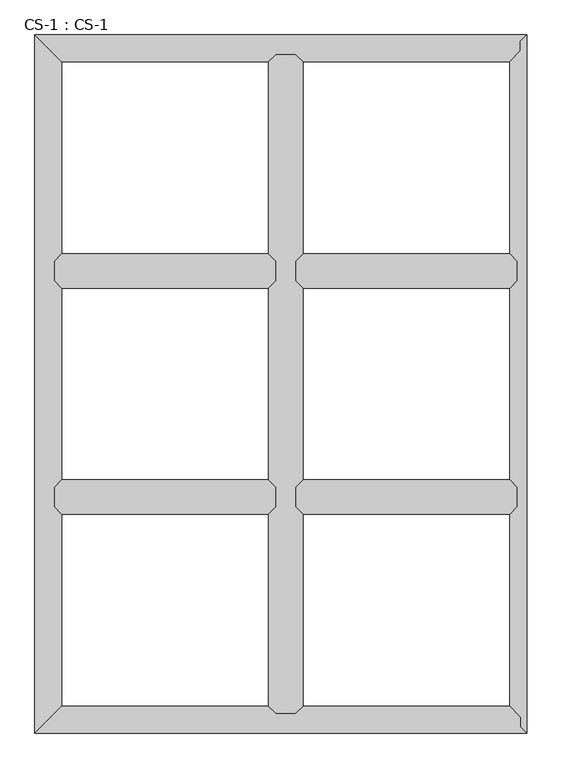
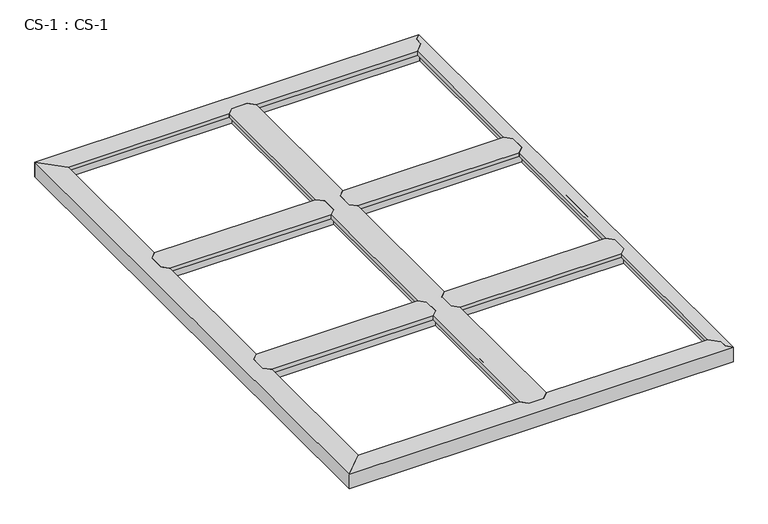
"""IFC4 building model written with IfcOpenShell, lengths in millimetres: proxy geometry, CS-1 : CS-1."""

from ifc_helpers import new_model, si_unit, origin, place, context, project, spatial, faceted_brep, source, transform, mapped, element, save


def cs_1_cs_1_00ce6a80(model_context):
    return source(origin(), model_context, "Body", "Brep", [
        faceted_brep([(878.84, 2286.0, 46.355), (878.84, 2286.0, 0.0), (871.855, 2286.0, 0.0), (871.855, 2286.0, 63.5), (819.785, 2286.0, 63.5), (819.785, 2286.0, 0.0), (812.8, 2286.0, 0.0), (812.8, 2286.0, 46.355), (812.8, 2286.0, 66.675), (878.84, 2286.0, 66.675), (812.8, 66.04, 46.355), (812.8, 66.04, 0.0), (819.785, 66.04, 0.0), (819.785, 66.04, 63.5), (871.855, 66.04, 63.5), (871.855, 66.04, 0.0), (878.84, 66.04, 0.0), (878.84, 66.04, 46.355), (878.84, 66.04, 66.675), (812.8, 66.04, 66.675), (788.162, 90.678, 49.8094), (788.162, 90.678, 66.675), (788.162, 737.362, 66.675), (788.162, 737.362, 49.8094), (788.162, 2261.362, 66.675), (788.162, 2261.362, 49.8094), (788.162, 1614.678, 49.8094), (788.162, 1614.678, 66.675), (788.162, 852.678, 49.8094), (788.162, 852.678, 66.675), (788.162, 1499.362, 66.675), (788.162, 1499.362, 49.8094), (789.686, 89.154, 49.8094), (789.686, 738.886, 49.8094), (789.686, 2262.886, 49.8094), (789.686, 1613.154, 49.8094), (789.686, 851.154, 49.8094), (789.686, 1500.886, 49.8094), (789.686, 89.154, 64.643), (789.686, 738.886, 64.643), (789.686, 2262.886, 64.643), (789.686, 1613.154, 64.643), (789.686, 851.154, 64.643), (789.686, 1500.886, 64.643), (799.973, 78.867, 64.643), (799.973, 749.173, 64.643), (799.973, 2273.173, 64.643), (799.973, 1602.867, 64.643), (799.973, 840.867, 64.643), (799.973, 1511.173, 64.643), (799.973, 78.867, 46.355), (799.973, 749.173, 46.355), (799.973, 2273.173, 46.355), (799.973, 1602.867, 46.355), (799.973, 840.867, 46.355), (799.973, 1511.173, 46.355), (812.8, 762.0, 46.355), (812.8, 1590.04, 46.355), (812.8, 828.04, 46.355), (812.8, 1524.0, 46.355), (812.8, 762.0, 66.675), (812.8, 828.04, 66.675), (812.8, 1524.0, 66.675), (812.8, 1590.04, 66.675), (878.84, 1590.04, 46.355), (878.84, 1590.04, 66.675), (878.84, 1524.0, 66.675), (878.84, 1524.0, 46.355), (878.84, 828.04, 46.355), (878.84, 828.04, 66.675), (878.84, 762.0, 66.675), (878.84, 762.0, 46.355), (891.667, 78.867, 46.355), (891.667, 749.173, 46.355), (891.667, 2273.173, 46.355), (891.667, 1602.867, 46.355), (891.667, 840.867, 46.355), (891.667, 1511.173, 46.355), (891.667, 78.867, 64.643), (891.667, 749.173, 64.643), (891.667, 2273.173, 64.643), (891.667, 1602.867, 64.643), (891.667, 840.867, 64.643), (891.667, 1511.173, 64.643), (901.954, 89.154, 64.643), (901.954, 738.886, 64.643), (901.954, 2262.886, 64.643), (901.954, 1613.154, 64.643), (901.954, 851.154, 64.643), (901.954, 1500.886, 64.643), (901.954, 89.154, 49.8094), (901.954, 738.886, 49.8094), (901.954, 2262.886, 49.8094), (901.954, 1613.154, 49.8094), (901.954, 851.154, 49.8094), (901.954, 1500.886, 49.8094), (903.478, 90.678, 49.8094), (903.478, 737.362, 49.8094), (903.478, 2261.362, 49.8094), (903.478, 1614.678, 49.8094), (903.478, 852.678, 49.8094), (903.478, 1499.362, 49.8094), (903.478, 90.678, 66.675), (903.478, 737.362, 66.675), (903.478, 2261.362, 66.675), (903.478, 1614.678, 66.675), (903.478, 852.678, 66.675), (903.478, 1499.362, 66.675)], [[[0, 1, 2, 3, 4, 5, 6, 7, 8, 9]], [[10, 11, 12, 13, 14, 15, 16, 17, 18, 19]], [[20, 21, 22, 23]], [[24, 25, 26, 27]], [[28, 29, 30, 31]], [[32, 20, 23, 33]], [[25, 34, 35, 26]], [[36, 28, 31, 37]], [[38, 32, 33, 39]], [[34, 40, 41, 35]], [[42, 36, 37, 43]], [[44, 38, 39, 45]], [[40, 46, 47, 41]], [[48, 42, 43, 49]], [[50, 44, 45, 51]], [[46, 52, 53, 47]], [[54, 48, 49, 55]], [[10, 50, 51, 56]], [[52, 7, 57, 53]], [[58, 54, 55, 59]], [[7, 6, 11, 10, 56, 60, 61, 58, 59, 62, 63, 57]], [[6, 5, 12, 11]], [[5, 4, 13, 12]], [[4, 3, 14, 13]], [[3, 2, 15, 14]], [[2, 1, 16, 15]], [[1, 0, 64, 65, 66, 67, 68, 69, 70, 71, 17, 16]], [[72, 17, 71, 73]], [[0, 74, 75, 64]], [[76, 68, 67, 77]], [[78, 72, 73, 79]], [[74, 80, 81, 75]], [[82, 76, 77, 83]], [[84, 78, 79, 85]], [[80, 86, 87, 81]], [[88, 82, 83, 89]], [[90, 84, 85, 91]], [[86, 92, 93, 87]], [[94, 88, 89, 95]], [[96, 90, 91, 97]], [[92, 98, 99, 93]], [[100, 94, 95, 101]], [[102, 96, 97, 103]], [[98, 104, 105, 99]], [[106, 100, 101, 107]], [[9, 8, 24, 27, 63, 62, 30, 29, 61, 60, 22, 21, 19, 18, 102, 103, 70, 69, 106, 107, 66, 65, 105, 104]], [[10, 19, 21, 20, 32, 38, 44, 50]], [[18, 17, 72, 78, 84, 90, 96, 102]], [[0, 9, 104, 98, 92, 86, 80, 74]], [[8, 7, 52, 46, 40, 34, 25, 24]], [[60, 56, 51, 45, 39, 33, 23, 22]], [[58, 61, 29, 28, 36, 42, 48, 54]], [[62, 59, 55, 49, 43, 37, 31, 30]], [[57, 63, 27, 26, 35, 41, 47, 53]], [[69, 68, 76, 82, 88, 94, 100, 106]], [[71, 70, 103, 97, 91, 85, 79, 73]], [[65, 64, 75, 81, 87, 93, 99, 105]], [[67, 66, 107, 101, 95, 89, 83, 77]]]),
        faceted_brep([(1625.6, 1524.0, 46.355), (1625.6, 1524.0, 0.0), (1625.6, 1530.985, 0.0), (1625.6, 1530.985, 63.5), (1625.6, 1583.055, 63.5), (1625.6, 1583.055, 0.0), (1625.6, 1590.04, 0.0), (1625.6, 1590.04, 46.355), (1625.6, 1590.04, 66.675), (1625.6, 1524.0, 66.675), (878.84, 1590.04, 46.355), (878.84, 1590.04, 0.0), (878.84, 1583.055, 0.0), (878.84, 1583.055, 63.5), (878.84, 1530.985, 63.5), (878.84, 1530.985, 0.0), (878.84, 1524.0, 0.0), (878.84, 1524.0, 46.355), (878.84, 1524.0, 66.675), (878.84, 1590.04, 66.675), (903.478, 1614.678, 66.675), (1600.962, 1614.678, 66.675), (1600.962, 1614.678, 49.8094), (903.478, 1614.678, 49.8094), (1602.486, 1613.154, 49.8094), (901.954, 1613.154, 49.8094), (1602.486, 1613.154, 64.643), (901.954, 1613.154, 64.643), (1612.773, 1602.867, 64.643), (891.667, 1602.867, 64.643), (1612.773, 1602.867, 46.355), (891.667, 1602.867, 46.355), (1612.773, 1511.173, 46.355), (891.667, 1511.173, 46.355), (1612.773, 1511.173, 64.643), (891.667, 1511.173, 64.643), (1602.486, 1500.886, 64.643), (901.954, 1500.886, 64.643), (1602.486, 1500.886, 49.8094), (901.954, 1500.886, 49.8094), (1600.962, 1499.362, 49.8094), (903.478, 1499.362, 49.8094), (1600.962, 1499.362, 66.675), (903.478, 1499.362, 66.675)], [[[0, 1, 2, 3, 4, 5, 6, 7, 8, 9]], [[10, 11, 12, 13, 14, 15, 16, 17, 18, 19]], [[20, 21, 22, 23]], [[23, 22, 24, 25]], [[25, 24, 26, 27]], [[27, 26, 28, 29]], [[29, 28, 30, 31]], [[7, 10, 31, 30]], [[7, 6, 11, 10]], [[6, 5, 12, 11]], [[5, 4, 13, 12]], [[4, 3, 14, 13]], [[3, 2, 15, 14]], [[2, 1, 16, 15]], [[1, 0, 17, 16]], [[17, 0, 32, 33]], [[33, 32, 34, 35]], [[35, 34, 36, 37]], [[37, 36, 38, 39]], [[39, 38, 40, 41]], [[41, 40, 42, 43]], [[9, 8, 21, 20, 19, 18, 43, 42]], [[10, 19, 20, 23, 25, 27, 29, 31]], [[18, 17, 33, 35, 37, 39, 41, 43]], [[0, 9, 42, 40, 38, 36, 34, 32]], [[8, 7, 30, 28, 26, 24, 22, 21]]]),
        faceted_brep([(1625.6, 762.0, 46.355), (1625.6, 762.0, 0.0), (1625.6, 768.985, 0.0), (1625.6, 768.985, 63.5), (1625.6, 821.055, 63.5), (1625.6, 821.055, 0.0), (1625.6, 828.04, 0.0), (1625.6, 828.04, 46.355), (1625.6, 828.04, 66.675), (1625.6, 762.0, 66.675), (878.84, 828.04, 46.355), (878.84, 828.04, 0.0), (878.84, 821.055, 0.0), (878.84, 821.055, 63.5), (878.84, 768.985, 63.5), (878.84, 768.985, 0.0), (878.84, 762.0, 0.0), (878.84, 762.0, 46.355), (878.84, 762.0, 66.675), (878.84, 828.04, 66.675), (903.478, 852.678, 66.675), (1600.962, 852.678, 66.675), (1600.962, 852.678, 49.8094), (903.478, 852.678, 49.8094), (1602.486, 851.154, 49.8094), (901.954, 851.154, 49.8094), (1602.486, 851.154, 64.643), (901.954, 851.154, 64.643), (1612.773, 840.867, 64.643), (891.667, 840.867, 64.643), (1612.773, 840.867, 46.355), (891.667, 840.867, 46.355), (1612.773, 749.173, 46.355), (891.667, 749.173, 46.355), (1612.773, 749.173, 64.643), (891.667, 749.173, 64.643), (1602.486, 738.886, 64.643), (901.954, 738.886, 64.643), (1602.486, 738.886, 49.8094), (901.954, 738.886, 49.8094), (1600.962, 737.362, 49.8094), (903.478, 737.362, 49.8094), (1600.962, 737.362, 66.675), (903.478, 737.362, 66.675)], [[[0, 1, 2, 3, 4, 5, 6, 7, 8, 9]], [[10, 11, 12, 13, 14, 15, 16, 17, 18, 19]], [[20, 21, 22, 23]], [[23, 22, 24, 25]], [[25, 24, 26, 27]], [[27, 26, 28, 29]], [[29, 28, 30, 31]], [[7, 10, 31, 30]], [[7, 6, 11, 10]], [[6, 5, 12, 11]], [[5, 4, 13, 12]], [[4, 3, 14, 13]], [[3, 2, 15, 14]], [[2, 1, 16, 15]], [[1, 0, 17, 16]], [[17, 0, 32, 33]], [[33, 32, 34, 35]], [[35, 34, 36, 37]], [[37, 36, 38, 39]], [[39, 38, 40, 41]], [[41, 40, 42, 43]], [[9, 8, 21, 20, 19, 18, 43, 42]], [[10, 19, 20, 23, 25, 27, 29, 31]], [[18, 17, 33, 35, 37, 39, 41, 43]], [[0, 9, 42, 40, 38, 36, 34, 32]], [[8, 7, 30, 28, 26, 24, 22, 21]]]),
        faceted_brep([(812.8, 762.0, 46.355), (812.8, 762.0, 0.0), (812.8, 768.985, 0.0), (812.8, 768.985, 63.5), (812.8, 821.055, 63.5), (812.8, 821.055, 0.0), (812.8, 828.04, 0.0), (812.8, 828.04, 46.355), (812.8, 828.04, 66.675), (812.8, 762.0, 66.675), (66.04, 828.04, 46.355), (66.04, 828.04, 0.0), (66.04, 821.055, 0.0), (66.04, 821.055, 63.5), (66.04, 768.985, 63.5), (66.04, 768.985, 0.0), (66.04, 762.0, 0.0), (66.04, 762.0, 46.355), (66.04, 762.0, 66.675), (66.04, 828.04, 66.675), (90.678, 852.678, 66.675), (788.162, 852.678, 66.675), (788.162, 852.678, 49.8094), (90.678, 852.678, 49.8094), (789.686, 851.154, 49.8094), (89.154, 851.154, 49.8094), (789.686, 851.154, 64.643), (89.154, 851.154, 64.643), (799.973, 840.867, 64.643), (78.867, 840.867, 64.643), (799.973, 840.867, 46.355), (78.867, 840.867, 46.355), (799.973, 749.173, 46.355), (78.867, 749.173, 46.355), (799.973, 749.173, 64.643), (78.867, 749.173, 64.643), (789.686, 738.886, 64.643), (89.154, 738.886, 64.643), (789.686, 738.886, 49.8094), (89.154, 738.886, 49.8094), (788.162, 737.362, 49.8094), (90.678, 737.362, 49.8094), (788.162, 737.362, 66.675), (90.678, 737.362, 66.675)], [[[0, 1, 2, 3, 4, 5, 6, 7, 8, 9]], [[10, 11, 12, 13, 14, 15, 16, 17, 18, 19]], [[20, 21, 22, 23]], [[23, 22, 24, 25]], [[25, 24, 26, 27]], [[27, 26, 28, 29]], [[29, 28, 30, 31]], [[7, 10, 31, 30]], [[7, 6, 11, 10]], [[6, 5, 12, 11]], [[5, 4, 13, 12]], [[4, 3, 14, 13]], [[3, 2, 15, 14]], [[2, 1, 16, 15]], [[1, 0, 17, 16]], [[17, 0, 32, 33]], [[33, 32, 34, 35]], [[35, 34, 36, 37]], [[37, 36, 38, 39]], [[39, 38, 40, 41]], [[41, 40, 42, 43]], [[9, 8, 21, 20, 19, 18, 43, 42]], [[10, 19, 20, 23, 25, 27, 29, 31]], [[18, 17, 33, 35, 37, 39, 41, 43]], [[0, 9, 42, 40, 38, 36, 34, 32]], [[8, 7, 30, 28, 26, 24, 22, 21]]]),
        faceted_brep([(812.8, 1524.0, 46.355), (812.8, 1524.0, 0.0), (812.8, 1530.985, 0.0), (812.8, 1530.985, 63.5), (812.8, 1583.055, 63.5), (812.8, 1583.055, 0.0), (812.8, 1590.04, 0.0), (812.8, 1590.04, 46.355), (812.8, 1590.04, 66.675), (812.8, 1524.0, 66.675), (66.04, 1590.04, 46.355), (66.04, 1590.04, 0.0), (66.04, 1583.055, 0.0), (66.04, 1583.055, 63.5), (66.04, 1530.985, 63.5), (66.04, 1530.985, 0.0), (66.04, 1524.0, 0.0), (66.04, 1524.0, 46.355), (66.04, 1524.0, 66.675), (66.04, 1590.04, 66.675), (90.678, 1614.678, 66.675), (788.162, 1614.678, 66.675), (788.162, 1614.678, 49.8094), (90.678, 1614.678, 49.8094), (789.686, 1613.154, 49.8094), (89.154, 1613.154, 49.8094), (789.686, 1613.154, 64.643), (89.154, 1613.154, 64.643), (799.973, 1602.867, 64.643), (78.867, 1602.867, 64.643), (799.973, 1602.867, 46.355), (78.867, 1602.867, 46.355), (799.973, 1511.173, 46.355), (78.867, 1511.173, 46.355), (799.973, 1511.173, 64.643), (78.867, 1511.173, 64.643), (789.686, 1500.886, 64.643), (89.154, 1500.886, 64.643), (789.686, 1500.886, 49.8094), (89.154, 1500.886, 49.8094), (788.162, 1499.362, 49.8094), (90.678, 1499.362, 49.8094), (788.162, 1499.362, 66.675), (90.678, 1499.362, 66.675)], [[[0, 1, 2, 3, 4, 5, 6, 7, 8, 9]], [[10, 11, 12, 13, 14, 15, 16, 17, 18, 19]], [[20, 21, 22, 23]], [[23, 22, 24, 25]], [[25, 24, 26, 27]], [[27, 26, 28, 29]], [[29, 28, 30, 31]], [[7, 10, 31, 30]], [[7, 6, 11, 10]], [[6, 5, 12, 11]], [[5, 4, 13, 12]], [[4, 3, 14, 13]], [[3, 2, 15, 14]], [[2, 1, 16, 15]], [[1, 0, 17, 16]], [[17, 0, 32, 33]], [[33, 32, 34, 35]], [[35, 34, 36, 37]], [[37, 36, 38, 39]], [[39, 38, 40, 41]], [[41, 40, 42, 43]], [[9, 8, 21, 20, 19, 18, 43, 42]], [[10, 19, 20, 23, 25, 27, 29, 31]], [[18, 17, 33, 35, 37, 39, 41, 43]], [[0, 9, 42, 40, 38, 36, 34, 32]], [[8, 7, 30, 28, 26, 24, 22, 21]]]),
        faceted_brep([(1658.62, 0.0, 0.0), (0.0, 0.0, 0.0), (6.985, 6.985, 0.0), (1651.635, 6.985, 0.0), (1651.635, 6.985, 63.5), (6.985, 6.985, 63.5), (1637.03, 21.59, 63.5), (59.055, 59.055, 63.5), (1631.5093878, 59.055, 63.5), (1637.03, 53.34, 63.5), (1631.5093878, 59.055, 0.0), (59.055, 59.055, 0.0), (66.04, 66.04, 0.0), (1624.7619728, 66.04, 0.0), (1624.7619728, 66.04, 46.355), (66.04, 66.04, 46.355), (812.8, 66.04, 46.355), (812.8, 66.04, 66.675), (878.84, 66.04, 66.675), (878.84, 66.04, 46.355), (1612.3712653, 78.867, 46.355), (891.667, 78.867, 46.355), (78.867, 78.867, 46.355), (799.973, 78.867, 46.355), (1612.3712653, 78.867, 63.5), (891.667, 78.867, 63.5), (78.867, 78.867, 63.5), (799.973, 78.867, 63.5), (1602.4341633, 89.154, 63.5), (901.954, 89.154, 63.5), (89.154, 89.154, 63.5), (789.686, 89.154, 63.5), (1602.4341633, 89.154, 49.8094), (901.954, 89.154, 49.8094), (89.154, 89.154, 49.8094), (789.686, 89.154, 49.8094), (1600.962, 90.678, 49.8094), (903.478, 90.678, 49.8094), (90.678, 90.678, 49.8094), (788.162, 90.678, 49.8094), (1600.962, 90.678, 66.675), (903.478, 90.678, 66.675), (90.678, 90.678, 66.675), (788.162, 90.678, 66.675), (0.0, 0.0, 66.675), (1658.62, 0.0, 66.675), (1637.03, 21.59, 66.675), (1637.03, 53.34, 66.675)], [[[0, 1, 2, 3]], [[4, 3, 2, 5]], [[6, 4, 5, 7, 8, 9]], [[10, 8, 7, 11]], [[12, 13, 10, 11]], [[14, 13, 12, 15, 16, 17, 18, 19]], [[20, 14, 19, 21]], [[15, 22, 23, 16]], [[24, 20, 21, 25]], [[22, 26, 27, 23]], [[28, 24, 25, 29]], [[26, 30, 31, 27]], [[32, 28, 29, 33]], [[30, 34, 35, 31]], [[36, 32, 33, 37]], [[34, 38, 39, 35]], [[40, 36, 37, 41]], [[38, 42, 43, 39]], [[44, 45, 46, 47, 40, 41, 18, 17, 43, 42]], [[1, 0, 45, 44]], [[6, 46, 45, 0, 3, 4]], [[47, 9, 8, 10, 13, 14, 20, 24, 28, 32, 36, 40]], [[46, 6, 9, 47]], [[2, 1, 44, 42, 38, 34, 30, 26, 22, 15, 12, 11, 7, 5]], [[17, 16, 23, 27, 31, 35, 39, 43]], [[19, 18, 41, 37, 33, 29, 25, 21]]]),
        faceted_brep([(1658.62, 0.0, 66.675), (1658.62, 2352.04, 66.675), (1637.03, 2330.45, 66.675), (1637.03, 2298.7, 66.675), (1600.962, 2261.362, 66.675), (1600.962, 1614.678, 66.675), (1625.6, 1590.04, 66.675), (1625.6, 1524.0, 66.675), (1600.962, 1499.362, 66.675), (1600.962, 852.678, 66.675), (1625.6, 828.04, 66.675), (1625.6, 762.0, 66.675), (1600.962, 737.362, 66.675), (1600.962, 90.678, 66.675), (1637.03, 53.34, 66.675), (1637.03, 21.59, 66.675), (1658.62, 0.0, 63.5), (1658.62, 2352.04, 63.5), (1637.03, 21.59, 63.5), (1637.03, 53.34, 63.5), (1632.585, 57.9415141, 63.5), (1632.585, 2294.0984859, 63.5), (1637.03, 2298.7, 63.5), (1637.03, 2330.45, 63.5), (1632.585, 2294.0984859, 0.0), (1632.585, 57.9415141, 0.0), (1625.6, 65.1724648, 0.0), (1625.6, 2286.8675352, 0.0), (1625.6, 2286.8675352, 46.355), (1625.6, 65.1724648, 46.355), (1625.6, 762.0, 46.355), (1625.6, 828.04, 46.355), (1625.6, 1524.0, 46.355), (1625.6, 1590.04, 46.355), (1612.773, 2273.5888803, 46.355), (1612.773, 1602.867, 46.355), (1612.773, 78.4511197, 46.355), (1612.773, 749.173, 46.355), (1612.773, 1511.173, 46.355), (1612.773, 840.867, 46.355), (1612.773, 2273.5888803, 64.643), (1612.773, 1602.867, 64.643), (1612.773, 78.4511197, 64.643), (1612.773, 749.173, 64.643), (1612.773, 1511.173, 64.643), (1612.773, 840.867, 64.643), (1602.486, 2262.939662, 64.643), (1602.486, 1613.154, 64.643), (1602.486, 89.100338, 64.643), (1602.486, 738.886, 64.643), (1602.486, 1500.886, 64.643), (1602.486, 851.154, 64.643), (1602.486, 2262.939662, 49.8094), (1602.486, 1613.154, 49.8094), (1602.486, 89.100338, 49.8094), (1602.486, 738.886, 49.8094), (1602.486, 1500.886, 49.8094), (1602.486, 851.154, 49.8094), (1600.962, 2261.362, 49.8094), (1600.962, 1614.678, 49.8094), (1600.962, 90.678, 49.8094), (1600.962, 737.362, 49.8094), (1600.962, 1499.362, 49.8094), (1600.962, 852.678, 49.8094)], [[[0, 1, 2, 3, 4, 5, 6, 7, 8, 9, 10, 11, 12, 13, 14, 15]], [[1, 0, 16, 17]], [[17, 16, 18, 19, 20, 21, 22, 23]], [[24, 21, 20, 25]], [[26, 27, 24, 25]], [[28, 27, 26, 29, 30, 11, 10, 31, 32, 7, 6, 33]], [[34, 28, 33, 35]], [[29, 36, 37, 30]], [[38, 32, 31, 39]], [[40, 34, 35, 41]], [[36, 42, 43, 37]], [[44, 38, 39, 45]], [[46, 40, 41, 47]], [[42, 48, 49, 43]], [[50, 44, 45, 51]], [[52, 46, 47, 53]], [[48, 54, 55, 49]], [[56, 50, 51, 57]], [[58, 52, 53, 59]], [[54, 60, 61, 55]], [[62, 56, 57, 63]], [[4, 58, 59, 5]], [[60, 13, 12, 61]], [[8, 62, 63, 9]], [[23, 2, 1, 17]], [[3, 22, 21, 24, 27, 28, 34, 40, 46, 52, 58, 4]], [[2, 23, 22, 3]], [[18, 15, 14, 19]], [[19, 14, 13, 60, 54, 48, 42, 36, 29, 26, 25, 20]], [[15, 18, 16, 0]], [[7, 32, 38, 44, 50, 56, 62, 8]], [[33, 6, 5, 59, 53, 47, 41, 35]], [[11, 30, 37, 43, 49, 55, 61, 12]], [[31, 10, 9, 63, 57, 51, 45, 39]]]),
        faceted_brep([(0.0, 2352.04, 0.0), (1658.62, 2352.04, 0.0), (1651.635, 2345.055, 0.0), (6.985, 2345.055, 0.0), (6.985, 2345.055, 63.5), (1651.635, 2345.055, 63.5), (59.055, 2292.985, 63.5), (1637.03, 2330.45, 63.5), (1637.03, 2298.7, 63.5), (1631.5093878, 2292.985, 63.5), (59.055, 2292.985, 0.0), (1631.5093878, 2292.985, 0.0), (1624.7619728, 2286.0, 0.0), (66.04, 2286.0, 0.0), (66.04, 2286.0, 46.355), (1624.7619728, 2286.0, 46.355), (878.84, 2286.0, 46.355), (878.84, 2286.0, 66.675), (812.8, 2286.0, 66.675), (812.8, 2286.0, 46.355), (78.867, 2273.173, 46.355), (799.973, 2273.173, 46.355), (1612.3712653, 2273.173, 46.355), (891.667, 2273.173, 46.355), (78.867, 2273.173, 63.5), (799.973, 2273.173, 63.5), (1612.3712653, 2273.173, 63.5), (891.667, 2273.173, 63.5), (89.154, 2262.886, 63.5), (789.686, 2262.886, 63.5), (1602.4341633, 2262.886, 63.5), (901.954, 2262.886, 63.5), (89.154, 2262.886, 49.8094), (789.686, 2262.886, 49.8094), (1602.4341633, 2262.886, 49.8094), (901.954, 2262.886, 49.8094), (90.678, 2261.362, 49.8094), (788.162, 2261.362, 49.8094), (1600.962, 2261.362, 49.8094), (903.478, 2261.362, 49.8094), (90.678, 2261.362, 66.675), (788.162, 2261.362, 66.675), (1600.962, 2261.362, 66.675), (903.478, 2261.362, 66.675), (1658.62, 2352.04, 66.675), (0.0, 2352.04, 66.675), (1637.03, 2298.7, 66.675), (1637.03, 2330.45, 66.675)], [[[0, 1, 2, 3]], [[4, 3, 2, 5]], [[6, 4, 5, 7, 8, 9]], [[10, 6, 9, 11]], [[12, 13, 10, 11]], [[14, 13, 12, 15, 16, 17, 18, 19]], [[20, 14, 19, 21]], [[15, 22, 23, 16]], [[24, 20, 21, 25]], [[22, 26, 27, 23]], [[28, 24, 25, 29]], [[26, 30, 31, 27]], [[32, 28, 29, 33]], [[30, 34, 35, 31]], [[36, 32, 33, 37]], [[34, 38, 39, 35]], [[40, 36, 37, 41]], [[38, 42, 43, 39]], [[44, 45, 40, 41, 18, 17, 43, 42, 46, 47]], [[1, 0, 45, 44]], [[0, 3, 4, 6, 10, 13, 14, 20, 24, 28, 32, 36, 40, 45]], [[7, 47, 46, 8]], [[8, 46, 42, 38, 34, 30, 26, 22, 15, 12, 11, 9]], [[47, 7, 5, 2, 1, 44]], [[17, 16, 23, 27, 31, 35, 39, 43]], [[19, 18, 41, 37, 33, 29, 25, 21]]]),
        faceted_brep([(0.0, 0.0, 0.0), (0.0, 2352.04, 0.0), (6.985, 2345.055, 0.0), (6.985, 6.985, 0.0), (6.985, 6.985, 63.5), (6.985, 2345.055, 63.5), (59.055, 59.055, 63.5), (59.055, 2292.985, 63.5), (59.055, 59.055, 0.0), (59.055, 2292.985, 0.0), (66.04, 2286.0, 0.0), (66.04, 66.04, 0.0), (66.04, 66.04, 46.355), (66.04, 2286.0, 46.355), (66.04, 1590.04, 46.355), (66.04, 1590.04, 66.675), (66.04, 1524.0, 66.675), (66.04, 1524.0, 46.355), (66.04, 828.04, 46.355), (66.04, 828.04, 66.675), (66.04, 762.0, 66.675), (66.04, 762.0, 46.355), (78.867, 78.867, 46.355), (78.867, 749.173, 46.355), (78.867, 2273.173, 46.355), (78.867, 1602.867, 46.355), (78.867, 840.867, 46.355), (78.867, 1511.173, 46.355), (78.867, 78.867, 63.5), (78.867, 749.173, 63.5), (78.867, 2273.173, 63.5), (78.867, 1602.867, 63.5), (78.867, 840.867, 63.5), (78.867, 1511.173, 63.5), (89.154, 89.154, 63.5), (89.154, 738.886, 63.5), (89.154, 2262.886, 63.5), (89.154, 1613.154, 63.5), (89.154, 851.154, 63.5), (89.154, 1500.886, 63.5), (89.154, 89.154, 49.8094), (89.154, 738.886, 49.8094), (89.154, 2262.886, 49.8094), (89.154, 1613.154, 49.8094), (89.154, 851.154, 49.8094), (89.154, 1500.886, 49.8094), (90.678, 90.678, 49.8094), (90.678, 737.362, 49.8094), (90.678, 2261.362, 49.8094), (90.678, 1614.678, 49.8094), (90.678, 852.678, 49.8094), (90.678, 1499.362, 49.8094), (90.678, 90.678, 66.675), (90.678, 737.362, 66.675), (90.678, 2261.362, 66.675), (90.678, 1614.678, 66.675), (90.678, 852.678, 66.675), (90.678, 1499.362, 66.675), (0.0, 2352.04, 66.675), (0.0, 0.0, 66.675)], [[[0, 1, 2, 3]], [[4, 3, 2, 5]], [[6, 4, 5, 7]], [[8, 6, 7, 9]], [[10, 11, 8, 9]], [[12, 11, 10, 13, 14, 15, 16, 17, 18, 19, 20, 21]], [[22, 12, 21, 23]], [[13, 24, 25, 14]], [[26, 18, 17, 27]], [[28, 22, 23, 29]], [[24, 30, 31, 25]], [[32, 26, 27, 33]], [[34, 28, 29, 35]], [[30, 36, 37, 31]], [[38, 32, 33, 39]], [[40, 34, 35, 41]], [[36, 42, 43, 37]], [[44, 38, 39, 45]], [[46, 40, 41, 47]], [[42, 48, 49, 43]], [[50, 44, 45, 51]], [[52, 46, 47, 53]], [[48, 54, 55, 49]], [[56, 50, 51, 57]], [[58, 59, 52, 53, 20, 19, 56, 57, 16, 15, 55, 54]], [[1, 0, 59, 58]], [[0, 3, 4, 6, 8, 11, 12, 22, 28, 34, 40, 46, 52, 59]], [[2, 1, 58, 54, 48, 42, 36, 30, 24, 13, 10, 9, 7, 5]], [[19, 18, 26, 32, 38, 44, 50, 56]], [[21, 20, 53, 47, 41, 35, 29, 23]], [[15, 14, 25, 31, 37, 43, 49, 55]], [[17, 16, 57, 51, 45, 39, 33, 27]]]),
    ])


if __name__ == "__main__":
    model = new_model("IFC4")
    model_context = context("Model", 3, world=origin())
    ifc_project = project(units=[si_unit("LENGTHUNIT", "METRE", prefix="MILLI")], contexts=[model_context])
    site = spatial("IfcSite", under=ifc_project)
    building = spatial("IfcBuilding", under=site)
    placement = place(None, origin())
    cs_1_cs_1_shape = cs_1_cs_1_00ce6a80(model_context)
    element("IfcBuildingElementProxy", 1, Name="CS-1 : CS-1", ObjectType="CS-1 : CS-1", at=placement, inside=building, context=model_context, shape_type="MappedRepresentation", body=[
        mapped(cs_1_cs_1_shape, transform((0.0, 0.0, 0.0), x_axis=(1.0, 0.0, 0.0), y_axis=(0.0, 1.0, 0.0), z_axis=(0.0, 0.0, 1.0))),
    ])
    save(model, "model.ifc")
